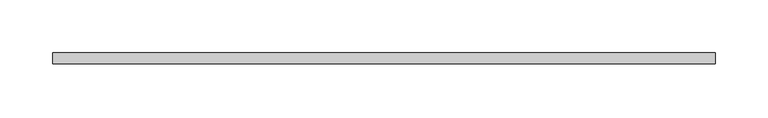
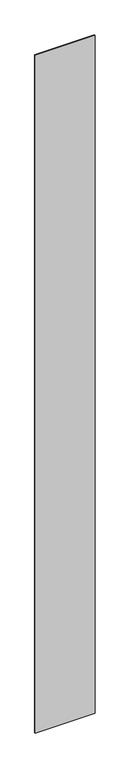
"""IFC4 building model written with IfcOpenShell, lengths in millimetres: plate geometry."""

from ifc_helpers import new_model, si_unit, origin, origin_with_axes, place, context, project, spatial, polyline, outline, extrude, source, transform, mapped, element, save


def plate_b6d67306(model_context):
    return source(origin(), model_context, "Body", "SweptSolid", [
        extrude(outline(polyline([(312.5, -5.0), (-312.5, -5.0), (-312.5, 5.0), (312.5, 5.0), (312.5, -5.0)])), origin_with_axes(), (0.0, 0.0, 1.0), 7500.0),
    ])


if __name__ == "__main__":
    model = new_model("IFC4")
    model_context = context("Model", 3, world=origin())
    ifc_project = project(units=[si_unit("LENGTHUNIT", "METRE", prefix="MILLI")], contexts=[model_context])
    site = spatial("IfcSite", under=ifc_project)
    building = spatial("IfcBuilding", under=site)
    placement = place(None, origin())
    plate_shape = plate_b6d67306(model_context)
    element("IfcPlate", 1, at=placement, inside=building, context=model_context, shape_type="MappedRepresentation", body=[
        mapped(plate_shape, transform((0.0, 0.0, 0.0), x_axis=(1.0, 0.0, 0.0), y_axis=(0.0, 1.0, 0.0), z_axis=(0.0, 0.0, 1.0))),
    ])
    save(model, "model.ifc")
